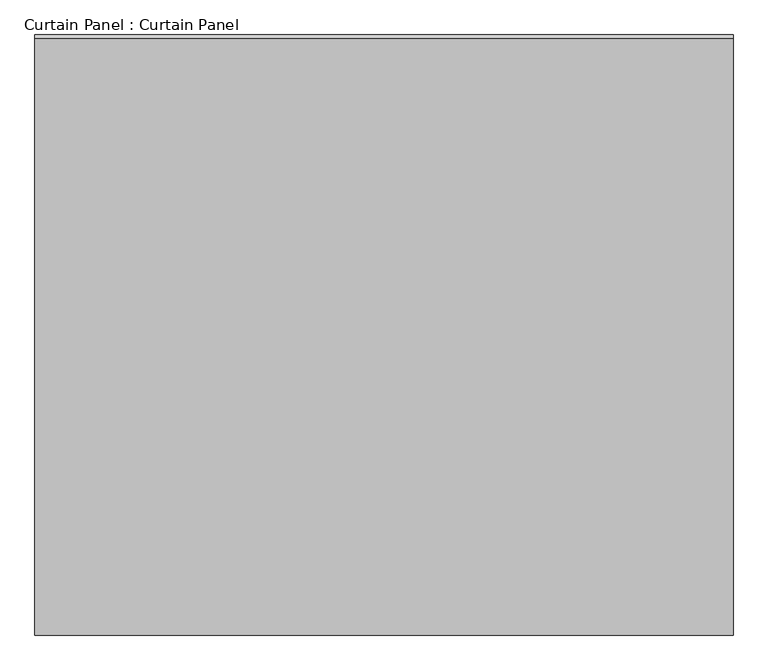
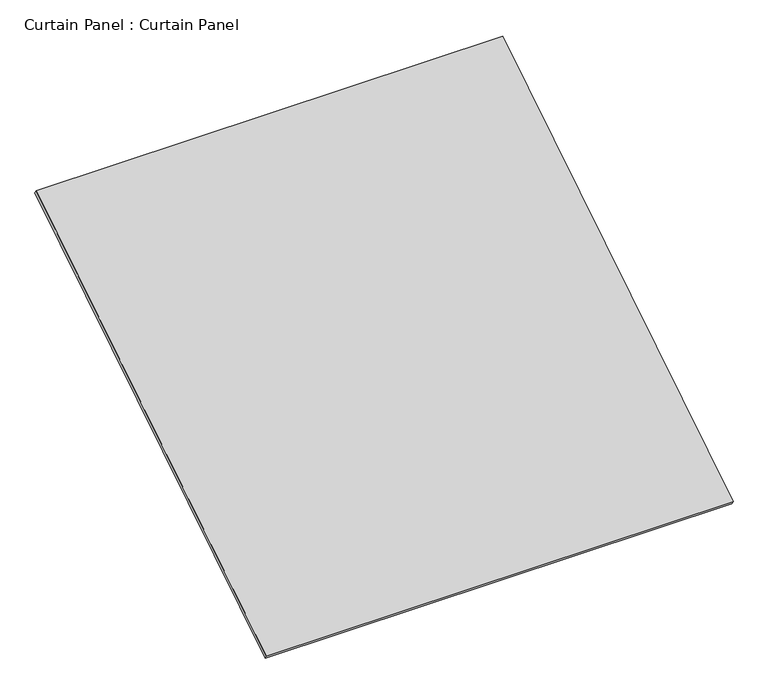
"""IFC4 building model written with IfcOpenShell, lengths in millimetres: plate geometry, Curtain Panel : Curtain Panel."""

import ifcopenshell
import ifcopenshell.guid

model = None  # the IFC model being written
_history = None  # IfcOwnerHistory: only IFC2X3 demands one
_inside = {}  # id of a spatial element -> (the spatial element, [elements in it])
_under = {}  # id of a project, library or spatial element -> (it, [spatial elements below it])
_declared = {}  # id of a project -> (the project, [libraries it declares])
_typed = {}  # id of a type object -> (the type object, [elements of that type])
_made_of = {}  # id of a material, layer set ... -> (it, [elements and type objects made of it])


def new_model(schema):
    """Start an empty IFC model of exactly this schema.

    Asked for "IFC4X3", IfcOpenShell would pick the latest addendum, in which some entities
    have other attributes; the version numbers below select the first issue.
    IFC2X3 requires an IfcOwnerHistory on every rooted entity: one is made here for all.
    """
    global model, _history
    if schema == "IFC4X3":
        model = ifcopenshell.file(schema_version=(4, 3, 0, 0))
    else:
        model = ifcopenshell.file(schema=schema)
    _inside.clear()
    _under.clear()
    _declared.clear()
    _typed.clear()
    _made_of.clear()
    _history = None
    if model.schema == "IFC2X3":
        org = make("IfcOrganization", Name="unknown")
        user = make(
            "IfcPersonAndOrganization",
            ThePerson=make("IfcPerson", FamilyName="unknown"),
            TheOrganization=org,
        )
        app = make(
            "IfcApplication",
            ApplicationDeveloper=org,
            Version="unknown",
            ApplicationFullName="unknown",
            ApplicationIdentifier="unknown",
        )
        _history = make(
            "IfcOwnerHistory",
            OwningUser=user,
            OwningApplication=app,
            ChangeAction="ADDED",
            CreationDate=0,
        )
    return model


def make(cls, **values):
    """One entity of the class cls with the attributes given. An attribute that is None is left unset."""
    return model.create_entity(
        cls, **{name: value for name, value in values.items() if value is not None}
    )


def rooted(cls, **values):
    """An entity with a GlobalId (a new one), such as an element, a storey or a relation."""
    return make(cls, GlobalId=ifcopenshell.guid.new(), OwnerHistory=_history, **values)


def si_unit(unit_type, name, prefix=None):
    """IfcSIUnit, for example si_unit("LENGTHUNIT", "METRE", prefix="MILLI")."""
    return make("IfcSIUnit", UnitType=unit_type, Prefix=prefix, Name=name)


def assignment(units):
    """IfcUnitAssignment: the units of a project."""
    return None if units is None else make("IfcUnitAssignment", Units=units)


def point(xyz):
    """IfcCartesianPoint."""
    return None if xyz is None else make("IfcCartesianPoint", Coordinates=xyz)


def direction(xyz):
    """IfcDirection."""
    return None if xyz is None else make("IfcDirection", DirectionRatios=xyz)


def frame(location, z_axis=None, x_axis=None):
    """IfcAxis2Placement3D, a coordinate frame: its origin and axes. An axis left out is left unset."""
    return make(
        "IfcAxis2Placement3D",
        Location=point(location),
        Axis=direction(z_axis),
        RefDirection=direction(x_axis),
    )


def origin():
    """The frame at (0, 0, 0) with its axes left unset."""
    return frame((0.0, 0.0, 0.0))


def place(relative_to, where):
    """IfcLocalPlacement: puts the frame where relative to a parent placement (None: the world)."""
    return make(
        "IfcLocalPlacement", PlacementRelTo=relative_to, RelativePlacement=where
    )


def context(
    kind, dimensions, precision=None, world=None, true_north=None, identifier=None
):
    """IfcGeometricRepresentationContext, for example the 3D "Model" context."""
    return make(
        "IfcGeometricRepresentationContext",
        ContextIdentifier=identifier,
        ContextType=kind,
        CoordinateSpaceDimension=dimensions,
        Precision=precision,
        WorldCoordinateSystem=world,
        TrueNorth=true_north,
    )


def project(units=None, contexts=None):
    """IfcProject with its units and contexts."""
    return rooted(
        "IfcProject",
        Name="project",
        RepresentationContexts=contexts,
        UnitsInContext=assignment(units),
    )


def spatial(cls, under=None, at=None, **own):
    """A site, building, storey or space (cls), placed at a placement, below another one or the project."""
    s = rooted(cls, ObjectPlacement=at, **own)
    if under is not None:
        _under.setdefault(under.id(), (under, []))[1].append(s)
    return s


def polyline(points):
    """IfcPolyline through the points."""
    return make("IfcPolyline", Points=[point(p) for p in points])


def outline(outer, holes=None, kind="AREA"):
    """IfcArbitraryClosedProfileDef: a profile drawn as a closed curve; with holes, ...WithVoids."""
    if holes is None:
        return make("IfcArbitraryClosedProfileDef", ProfileType=kind, OuterCurve=outer)
    return make(
        "IfcArbitraryProfileDefWithVoids",
        ProfileType=kind,
        OuterCurve=outer,
        InnerCurves=holes,
    )


def extrude(swept, where, along, depth):
    """IfcExtrudedAreaSolid: the profile swept, set in the frame where, extruded along a direction by depth."""
    return make(
        "IfcExtrudedAreaSolid",
        SweptArea=swept,
        Position=where,
        ExtrudedDirection=direction(along),
        Depth=depth,
    )


def shape(context_of_items, identifier, shape_type, items):
    """IfcShapeRepresentation: the items that make up one representation, for example the "Body"."""
    return make(
        "IfcShapeRepresentation",
        ContextOfItems=context_of_items,
        RepresentationIdentifier=identifier,
        RepresentationType=shape_type,
        Items=items,
    )


def source(mapping_origin, context_of_items, identifier, shape_type, items):
    """IfcRepresentationMap: a shape defined once, which mapped items show again and again."""
    return make(
        "IfcRepresentationMap",
        MappingOrigin=mapping_origin,
        MappedRepresentation=shape(context_of_items, identifier, shape_type, items),
    )


def transform(
    local_origin,
    x_axis=None,
    y_axis=None,
    z_axis=None,
    scale=None,
    scale2=None,
    scale3=None,
    uniform=True,
):
    """IfcCartesianTransformationOperator3D, or its non-uniform kind. x_axis, y_axis, z_axis: its Axis1, 2, 3."""
    if uniform:
        return make(
            "IfcCartesianTransformationOperator3D",
            Axis1=direction(x_axis),
            Axis2=direction(y_axis),
            LocalOrigin=point(local_origin),
            Scale=scale,
            Axis3=direction(z_axis),
        )
    return make(
        "IfcCartesianTransformationOperator3DnonUniform",
        Axis1=direction(x_axis),
        Axis2=direction(y_axis),
        LocalOrigin=point(local_origin),
        Scale=scale,
        Axis3=direction(z_axis),
        Scale2=scale2,
        Scale3=scale3,
    )


def mapped(mapping_source, mapping_target):
    """IfcMappedItem: shows the shape of a source again, moved by a transform."""
    return make(
        "IfcMappedItem", MappingSource=mapping_source, MappingTarget=mapping_target
    )


def made_of(thing, what):
    """Note that an element or type object is made of a material, layer set ...; save() writes the relation."""
    if what is not None:
        _made_of.setdefault(what.id(), (what, []))[1].append(thing)
    return thing


def element(
    cls,
    number,
    at=None,
    inside=None,
    cuts=None,
    type_object=None,
    material=None,
    context=None,
    identifier="Body",
    shape_type=None,
    held_by="IfcProductDefinitionShape",
    body=None,
    shapes=None,
    **own,
):
    """One element of the class cls, such as IfcWall. Its Tag is "e" and its number.

    at: its placement. inside: the storey or other place that contains it. cuts: it is an
    opening in that element (IfcRelVoidsElement). A single representation is given by context,
    identifier, shape_type and body (its items); several are given by shapes. held_by: the class
    of the entity that holds the representations. save() writes the other relations.
    """
    e = rooted(cls, Tag="e%d" % number, ObjectPlacement=at, **own)
    if body is not None:
        shapes = [shape(context, identifier, shape_type, body)]
    if shapes is not None:
        e.Representation = make(held_by, Representations=shapes)
    if inside is not None:
        _inside.setdefault(inside.id(), (inside, []))[1].append(e)
    if cuts is not None:
        rooted(
            "IfcRelVoidsElement", RelatingBuildingElement=cuts, RelatedOpeningElement=e
        )
    if type_object is not None:
        _typed.setdefault(type_object.id(), (type_object, []))[1].append(e)
    return made_of(e, material)


def aggregate(whole, parts):
    """IfcRelAggregates: a whole, such as a stair, and the parts it consists of."""
    return rooted("IfcRelAggregates", RelatingObject=whole, RelatedObjects=parts)


def save(model, path):
    """Write the relations noted so far, then the file.

    IfcRelAggregates (storeys below a building ...), IfcRelContainedInSpatialStructure (elements
    in a storey), IfcRelDefinesByType, IfcRelAssociatesMaterial and IfcRelDeclares: one each for
    every whole, place, type object, material and project.
    """
    for whole, parts in _under.values():
        aggregate(whole, parts)
    for where, things in _inside.values():
        rooted(
            "IfcRelContainedInSpatialStructure",
            RelatedElements=things,
            RelatingStructure=where,
        )
    for kind, things in _typed.values():
        rooted("IfcRelDefinesByType", RelatedObjects=things, RelatingType=kind)
    for what, things in _made_of.values():
        rooted("IfcRelAssociatesMaterial", RelatedObjects=things, RelatingMaterial=what)
    for by, libraries in _declared.values():
        rooted("IfcRelDeclares", RelatingContext=by, RelatedDefinitions=libraries)
    model.write(path)


def curtain_panel_curtain_panel_1ad2a05e(model_context):
    return source(origin(), model_context, "Body", "SweptSolid", [
        extrude(outline(polyline([(-63.5, 0.0), (-63.5, -3013.075), (-3048.0, -3013.075), (-3048.0, 0.0), (-63.5, 0.0)])), frame((-120718.6430895, -3925.8916967, 7181.9913829), z_axis=(0.0, -0.5318918435658209, 0.8468122972348432), x_axis=(-1.0, 0.0, 0.0)), (0.0, 0.0, 1.0), 25.4),
    ])


if __name__ == "__main__":
    model = new_model("IFC4")
    model_context = context("Model", 3, world=origin())
    ifc_project = project(units=[si_unit("LENGTHUNIT", "METRE", prefix="MILLI")], contexts=[model_context])
    site = spatial("IfcSite", under=ifc_project)
    building = spatial("IfcBuilding", under=site)
    placement = place(None, origin())
    curtain_panel_curtain_panel_shape = curtain_panel_curtain_panel_1ad2a05e(model_context)
    element("IfcPlate", 1, ObjectType="Curtain Panel : Curtain Panel", at=placement, inside=building, context=model_context, shape_type="MappedRepresentation", body=[
        mapped(curtain_panel_curtain_panel_shape, transform((0.0, 0.0, 0.0), x_axis=(1.0, 0.0, 0.0), y_axis=(0.0, 1.0, 0.0), z_axis=(0.0, 0.0, 1.0))),
    ])
    save(model, "model.ifc")
